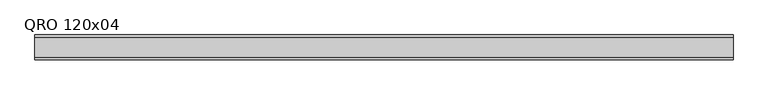
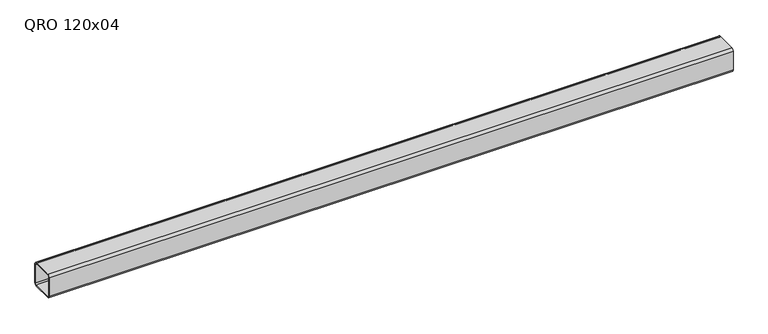
"""IFC4 building model written with IfcOpenShell, lengths in millimetres: beam geometry, QRO 120x04."""

from ifc_helpers import new_model, si_unit, point, frame, frame_2d, origin, place, context, project, spatial, polyline, circle_curve, trimmed, segment, composite_curve, outline, extrude, source, transform, mapped, element, save


def qro_120x04_4024f8bb(model_context):
    return source(origin(), model_context, "Body", "SweptSolid", [
        extrude(outline(composite_curve([segment(polyline([(60.0, 48.0), (60.0, -48.0)]), True, "CONTINUOUS"), segment(trimmed(circle_curve(frame_2d((48.0, -48.0)), 12.0), [point((60.0, -48.0))], [point((48.0, -60.0))], False, "CARTESIAN"), True, "CONTINUOUS"), segment(polyline([(48.0, -60.0), (-48.0, -60.0)]), True, "CONTINUOUS"), segment(trimmed(circle_curve(frame_2d((-48.0, -48.0)), 12.0), [point((-48.0, -60.0))], [point((-60.0, -48.0))], False, "CARTESIAN"), True, "CONTINUOUS"), segment(polyline([(-60.0, -48.0), (-60.0, 48.0)]), True, "CONTINUOUS"), segment(trimmed(circle_curve(frame_2d((-48.0, 48.0)), 12.0), [point((-60.0, 48.0))], [point((-48.0, 60.0))], False, "CARTESIAN"), True, "CONTINUOUS"), segment(polyline([(-48.0, 60.0), (48.0, 60.0)]), True, "CONTINUOUS"), segment(trimmed(circle_curve(frame_2d((48.0, 48.0)), 12.0), [point((48.0, 60.0))], [point((60.0, 48.0))], False, "CARTESIAN"), True, "CONTINUOUS")], self_intersect=False), holes=[composite_curve([segment(trimmed(circle_curve(frame_2d((-48.0, 48.0)), 6.0), [point((-48.0, 54.0))], [point((-54.0, 48.0))], True, "CARTESIAN"), True, "CONTINUOUS"), segment(polyline([(-54.0, 48.0), (-54.0, -48.0)]), True, "CONTINUOUS"), segment(trimmed(circle_curve(frame_2d((-48.0, -48.0)), 6.0), [point((-54.0, -48.0))], [point((-48.0, -54.0))], True, "CARTESIAN"), True, "CONTINUOUS"), segment(polyline([(-48.0, -54.0), (48.0, -54.0)]), True, "CONTINUOUS"), segment(trimmed(circle_curve(frame_2d((48.0, -48.0)), 6.0), [point((48.0, -54.0))], [point((54.0, -48.0))], True, "CARTESIAN"), True, "CONTINUOUS"), segment(polyline([(54.0, -48.0), (54.0, 48.0)]), True, "CONTINUOUS"), segment(trimmed(circle_curve(frame_2d((48.0, 48.0)), 6.0), [point((54.0, 48.0))], [point((48.0, 54.0))], True, "CARTESIAN"), True, "CONTINUOUS"), segment(polyline([(48.0, 54.0), (-48.0, 54.0)]), True, "CONTINUOUS")], self_intersect=False)]), frame((-1532.9928088, 0.0, 0.0), z_axis=(1.0, 0.0, 0.0), x_axis=(0.0, 1.0, 0.0)), (0.0, 0.0, 1.0), 3348.4409887),
    ])


if __name__ == "__main__":
    model = new_model("IFC4")
    model_context = context("Model", 3, world=origin())
    ifc_project = project(units=[si_unit("LENGTHUNIT", "METRE", prefix="MILLI")], contexts=[model_context])
    site = spatial("IfcSite", under=ifc_project)
    building = spatial("IfcBuilding", under=site)
    placement = place(None, origin())
    qro_120x04_shape = qro_120x04_4024f8bb(model_context)
    element("IfcBeam", 1, ObjectType="QRO 120x04", at=placement, inside=building, context=model_context, shape_type="MappedRepresentation", body=[
        mapped(qro_120x04_shape, transform((0.0, 0.0, 0.0), x_axis=(1.0, 0.0, 0.0), y_axis=(0.0, 1.0, 0.0), z_axis=(0.0, 0.0, 1.0))),
    ])
    save(model, "model.ifc")
